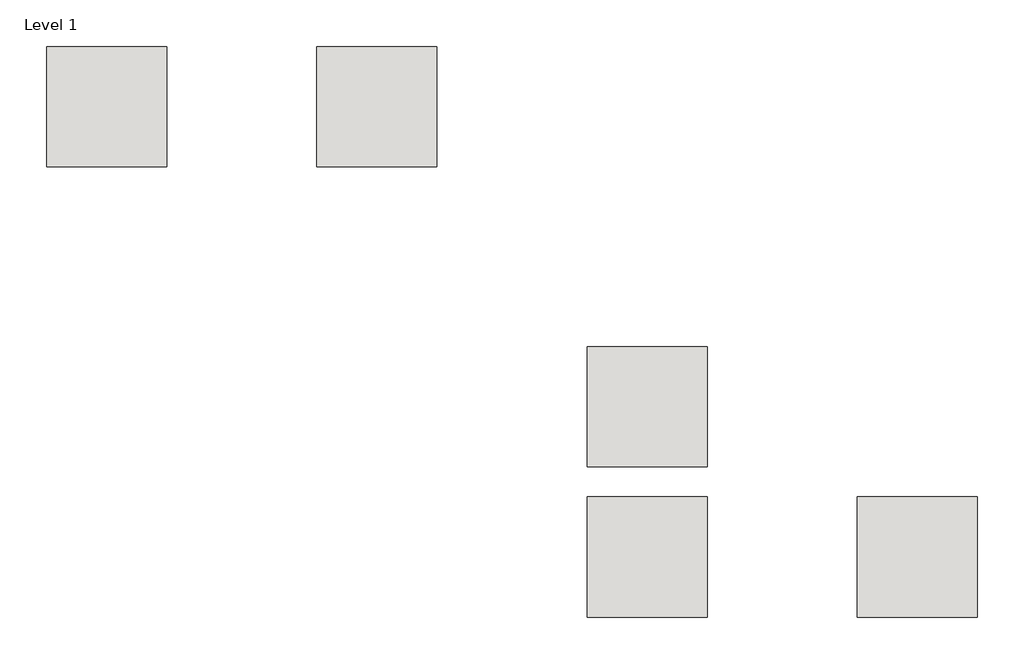
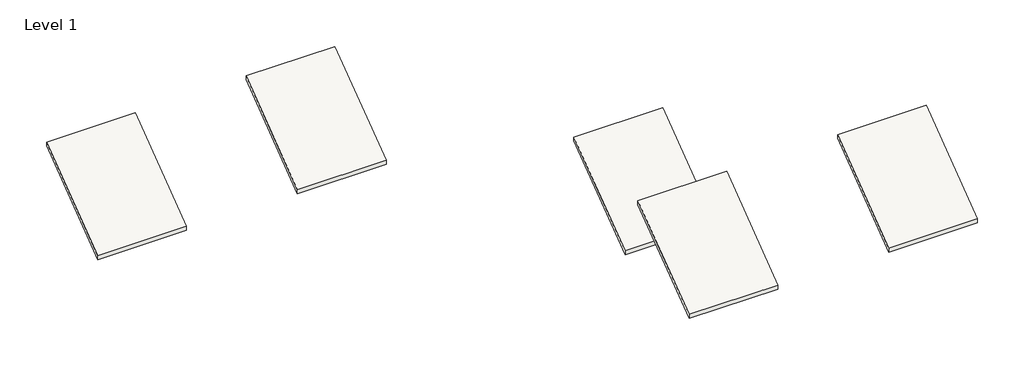
# One storey, part 2 of 10: 5 roofs.
"""IFC4 building model written with IfcOpenShell, lengths in millimetres."""

from ifc_helpers import new_model, si_unit, frame, origin, place, context, project, spatial, polyline, outline, extrude, element, save

model = new_model("IFC4")

# Units and contexts
model_context = context("Model", 3, world=origin())
ifc_project = project(units=[si_unit("LENGTHUNIT", "METRE", prefix="MILLI")], contexts=[model_context])

# Site, building, storey
site = spatial("IfcSite", under=ifc_project)
building = spatial("IfcBuilding", under=site)
storey = spatial("IfcBuildingStorey", under=building, Name="Level 1", Elevation=0.0)

# Roofs
placement = place(None, origin())
element("IfcRoof", 1, at=placement, inside=storey, context=model_context, shape_type="SweptSolid", body=[
    extrude(outline(polyline([(161393.0242732, -45942.0854012), (167489.0242732, -41370.0854012), (167489.0242732, -41655.8354012), (161393.0242732, -46227.8354012), (161393.0242732, -45942.0854012)])), frame((66671.5288668, 0.0, 0.0), z_axis=(1.0, 0.0, 0.0), x_axis=(0.0, 1.0, 0.0)), (0.0, 0.0, 1.0), 6096.0),
])
element("IfcRoof", 2, at=placement, inside=storey, context=model_context, shape_type="SweptSolid", body=[
    extrude(outline(polyline([(161393.0242732, -45942.0854012), (167489.0242732, -41370.0854012), (167489.0242732, -41655.8354012), (161393.0242732, -46227.8354012), (161393.0242732, -45942.0854012)])), frame((80387.5288668, 0.0, 0.0), z_axis=(1.0, 0.0, 0.0), x_axis=(0.0, 1.0, 0.0)), (0.0, 0.0, 1.0), 6096.0),
])
element("IfcRoof", 3, at=placement, inside=storey, context=model_context, shape_type="SweptSolid", body=[
    extrude(outline(polyline([(169013.0242732, -45942.0854012), (175109.0242732, -41370.0854012), (175109.0242732, -41655.8354012), (169013.0242732, -46227.8354012), (169013.0242732, -45942.0854012)])), frame((66671.5288668, 0.0, 0.0), z_axis=(1.0, 0.0, 0.0), x_axis=(0.0, 1.0, 0.0)), (0.0, 0.0, 1.0), 6096.0),
])
element("IfcRoof", 4, at=placement, inside=storey, context=model_context, shape_type="SweptSolid", body=[
    extrude(outline(polyline([(184253.0242732, -45942.0854012), (190349.0242732, -41370.0854012), (190349.0242732, -41655.8354012), (184253.0242732, -46227.8354012), (184253.0242732, -45942.0854012)])), frame((39239.5288668, 0.0, 0.0), z_axis=(1.0, 0.0, 0.0), x_axis=(0.0, 1.0, 0.0)), (0.0, 0.0, 1.0), 6096.0),
])
element("IfcRoof", 5, at=placement, inside=storey, context=model_context, shape_type="SweptSolid", body=[
    extrude(outline(polyline([(184253.0242732, -45942.0854012), (190349.0242732, -41370.0854012), (190349.0242732, -41655.8354012), (184253.0242732, -46227.8354012), (184253.0242732, -45942.0854012)])), frame((52955.5288668, 0.0, 0.0), z_axis=(1.0, 0.0, 0.0), x_axis=(0.0, 1.0, 0.0)), (0.0, 0.0, 1.0), 6096.0),
])

save(model, "model.ifc")
